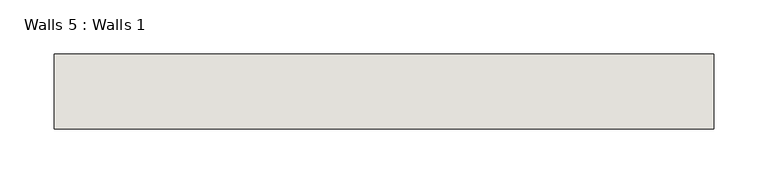
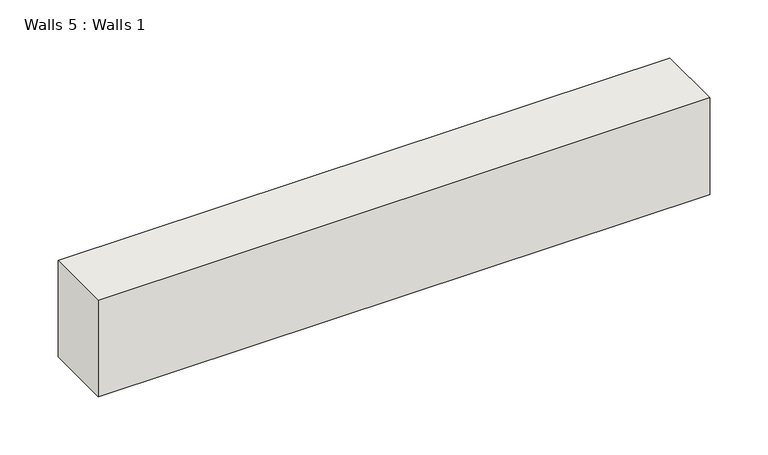
"""IFC4 building model written with IfcOpenShell, lengths in millimetres: wall geometry, Walls 5 : Walls 1."""

from ifc_helpers import new_model, si_unit, origin, place, context, project, spatial, faceted_brep, source, transform, mapped, element, save


def walls_5_walls_1_dcc0fa1d(model_context):
    return source(origin(), model_context, "Body", "Brep", [
        faceted_brep([(176342.3038016, -28893.2326141, 6997.7), (176342.3038016, -28823.9743465, 6997.7), (176342.3038016, -28823.9743465, 7099.3), (176342.3038016, -28893.2326141, 7099.3), (175733.7468725, -28893.2326141, 6997.7), (175733.7468725, -28893.2326141, 7099.3), (175733.7468725, -28823.9743465, 7099.3), (175733.7468725, -28823.9743465, 6997.7), (176058.4225587, -28823.9743465, 7099.3), (176275.9100587, -28823.9743465, 7099.3)], [[[0, 1, 2, 3]], [[4, 5, 6, 7]], [[0, 3, 5, 4]], [[1, 0, 4, 7]], [[2, 1, 7, 6, 8, 9]], [[3, 2, 9, 8, 6, 5]]]),
    ])


if __name__ == "__main__":
    model = new_model("IFC4")
    model_context = context("Model", 3, world=origin())
    ifc_project = project(units=[si_unit("LENGTHUNIT", "METRE", prefix="MILLI")], contexts=[model_context])
    site = spatial("IfcSite", under=ifc_project)
    building = spatial("IfcBuilding", under=site)
    placement = place(None, origin())
    walls_5_walls_1_shape = walls_5_walls_1_dcc0fa1d(model_context)
    element("IfcWall", 1, ObjectType="Walls 5 : Walls 1", at=placement, inside=building, context=model_context, shape_type="MappedRepresentation", body=[
        mapped(walls_5_walls_1_shape, transform((0.0, 0.0, 0.0), x_axis=(1.0, 0.0, 0.0), y_axis=(0.0, 1.0, 0.0), z_axis=(0.0, 0.0, 1.0))),
    ])
    save(model, "model.ifc")
